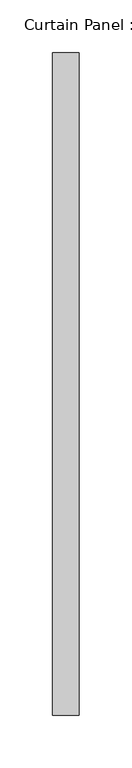
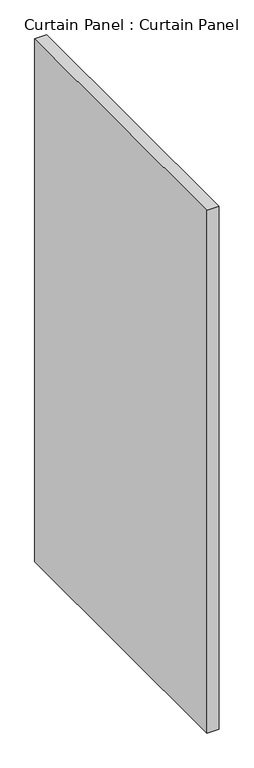
"""IFC4 building model written with IfcOpenShell, lengths in millimetres: plate geometry, Curtain Panel : Curtain Panel."""

from ifc_helpers import new_model, si_unit, frame, origin, place, context, project, spatial, polyline, outline, extrude, source, transform, mapped, element, save


def curtain_panel_curtain_panel_f12d5329(model_context):
    return source(origin(), model_context, "Body", "SweptSolid", [
        extrude(outline(polyline([(-83751.9006924, 12313.5140088), (-83751.9006924, 11685.076525), (-83777.3006924, 11685.076525), (-83777.3006924, 12313.5140088), (-83751.9006924, 12313.5140088)])), frame((0.0, 0.0, 2453.3404146), z_axis=(0.0, 0.0, 1.0), x_axis=(1.0, 0.0, 0.0)), (0.0, 0.0, 1.0), 1162.9845854),
    ])


if __name__ == "__main__":
    model = new_model("IFC4")
    model_context = context("Model", 3, world=origin())
    ifc_project = project(units=[si_unit("LENGTHUNIT", "METRE", prefix="MILLI")], contexts=[model_context])
    site = spatial("IfcSite", under=ifc_project)
    building = spatial("IfcBuilding", under=site)
    placement = place(None, origin())
    curtain_panel_curtain_panel_shape = curtain_panel_curtain_panel_f12d5329(model_context)
    element("IfcPlate", 1, ObjectType="Curtain Panel : Curtain Panel", at=placement, inside=building, context=model_context, shape_type="MappedRepresentation", body=[
        mapped(curtain_panel_curtain_panel_shape, transform((0.0, 0.0, 0.0), x_axis=(1.0, 0.0, 0.0), y_axis=(0.0, 1.0, 0.0), z_axis=(0.0, 0.0, 1.0))),
    ])
    save(model, "model.ifc")
